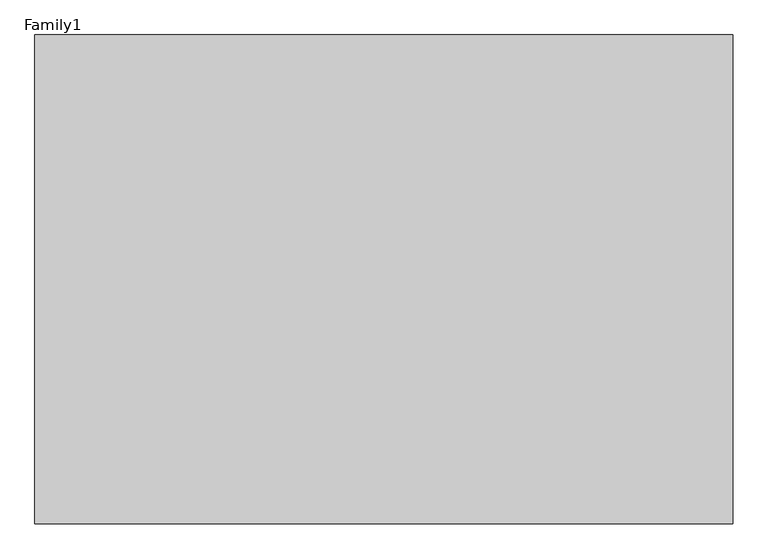
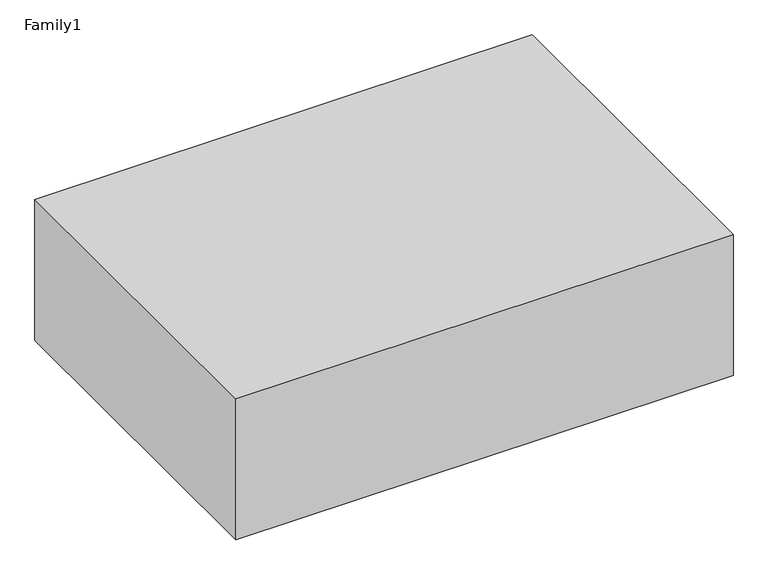
"""IFC4 building model written with IfcOpenShell, lengths in millimetres: proxy geometry, Family1."""

from ifc_helpers import new_model, si_unit, frame, origin, place, context, project, spatial, polyline, outline, extrude, source, transform, mapped, element, save


def family1_d69630c6(model_context):
    return source(origin(), model_context, "Body", "SweptSolid", [
        extrude(outline(polyline([(1000.0, 0.0), (0.0, 0.0), (0.0, 700.0), (1000.0, 700.0), (1000.0, 0.0)])), frame((0.0, 0.0, 33000.0), z_axis=(0.0, 0.0, 1.0), x_axis=(1.0, 0.0, 0.0)), (0.0, 0.0, 1.0), 300.0),
    ])


if __name__ == "__main__":
    model = new_model("IFC4")
    model_context = context("Model", 3, world=origin())
    ifc_project = project(units=[si_unit("LENGTHUNIT", "METRE", prefix="MILLI")], contexts=[model_context])
    site = spatial("IfcSite", under=ifc_project)
    building = spatial("IfcBuilding", under=site)
    placement = place(None, origin())
    family1_shape = family1_d69630c6(model_context)
    element("IfcBuildingElementProxy", 1, Name="Family1", ObjectType="Family1", at=placement, inside=building, context=model_context, shape_type="MappedRepresentation", body=[
        mapped(family1_shape, transform((0.0, 0.0, 0.0), x_axis=(1.0, 0.0, 0.0), y_axis=(0.0, 1.0, 0.0), z_axis=(0.0, 0.0, 1.0))),
    ])
    save(model, "model.ifc")
